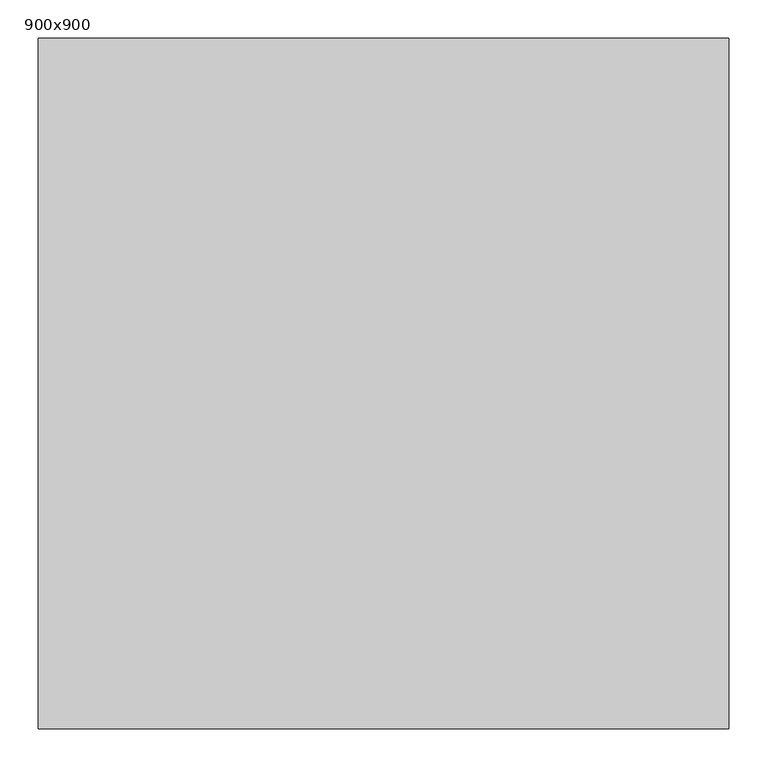
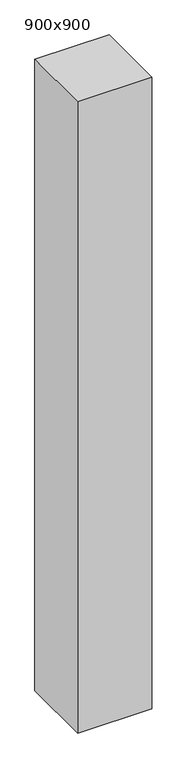
"""IFC4 building model written with IfcOpenShell, lengths in millimetres: column geometry, 900x900."""

import ifcopenshell
import ifcopenshell.guid

model = None  # the IFC model being written
_history = None  # IfcOwnerHistory: only IFC2X3 demands one
_inside = {}  # id of a spatial element -> (the spatial element, [elements in it])
_under = {}  # id of a project, library or spatial element -> (it, [spatial elements below it])
_declared = {}  # id of a project -> (the project, [libraries it declares])
_typed = {}  # id of a type object -> (the type object, [elements of that type])
_made_of = {}  # id of a material, layer set ... -> (it, [elements and type objects made of it])


def new_model(schema):
    """Start an empty IFC model of exactly this schema.

    Asked for "IFC4X3", IfcOpenShell would pick the latest addendum, in which some entities
    have other attributes; the version numbers below select the first issue.
    IFC2X3 requires an IfcOwnerHistory on every rooted entity: one is made here for all.
    """
    global model, _history
    if schema == "IFC4X3":
        model = ifcopenshell.file(schema_version=(4, 3, 0, 0))
    else:
        model = ifcopenshell.file(schema=schema)
    _inside.clear()
    _under.clear()
    _declared.clear()
    _typed.clear()
    _made_of.clear()
    _history = None
    if model.schema == "IFC2X3":
        org = make("IfcOrganization", Name="unknown")
        user = make(
            "IfcPersonAndOrganization",
            ThePerson=make("IfcPerson", FamilyName="unknown"),
            TheOrganization=org,
        )
        app = make(
            "IfcApplication",
            ApplicationDeveloper=org,
            Version="unknown",
            ApplicationFullName="unknown",
            ApplicationIdentifier="unknown",
        )
        _history = make(
            "IfcOwnerHistory",
            OwningUser=user,
            OwningApplication=app,
            ChangeAction="ADDED",
            CreationDate=0,
        )
    return model


def make(cls, **values):
    """One entity of the class cls with the attributes given. An attribute that is None is left unset."""
    return model.create_entity(
        cls, **{name: value for name, value in values.items() if value is not None}
    )


def rooted(cls, **values):
    """An entity with a GlobalId (a new one), such as an element, a storey or a relation."""
    return make(cls, GlobalId=ifcopenshell.guid.new(), OwnerHistory=_history, **values)


def si_unit(unit_type, name, prefix=None):
    """IfcSIUnit, for example si_unit("LENGTHUNIT", "METRE", prefix="MILLI")."""
    return make("IfcSIUnit", UnitType=unit_type, Prefix=prefix, Name=name)


def assignment(units):
    """IfcUnitAssignment: the units of a project."""
    return None if units is None else make("IfcUnitAssignment", Units=units)


def point(xyz):
    """IfcCartesianPoint."""
    return None if xyz is None else make("IfcCartesianPoint", Coordinates=xyz)


def direction(xyz):
    """IfcDirection."""
    return None if xyz is None else make("IfcDirection", DirectionRatios=xyz)


def frame(location, z_axis=None, x_axis=None):
    """IfcAxis2Placement3D, a coordinate frame: its origin and axes. An axis left out is left unset."""
    return make(
        "IfcAxis2Placement3D",
        Location=point(location),
        Axis=direction(z_axis),
        RefDirection=direction(x_axis),
    )


def origin():
    """The frame at (0, 0, 0) with its axes left unset."""
    return frame((0.0, 0.0, 0.0))


def place(relative_to, where):
    """IfcLocalPlacement: puts the frame where relative to a parent placement (None: the world)."""
    return make(
        "IfcLocalPlacement", PlacementRelTo=relative_to, RelativePlacement=where
    )


def context(
    kind, dimensions, precision=None, world=None, true_north=None, identifier=None
):
    """IfcGeometricRepresentationContext, for example the 3D "Model" context."""
    return make(
        "IfcGeometricRepresentationContext",
        ContextIdentifier=identifier,
        ContextType=kind,
        CoordinateSpaceDimension=dimensions,
        Precision=precision,
        WorldCoordinateSystem=world,
        TrueNorth=true_north,
    )


def project(units=None, contexts=None):
    """IfcProject with its units and contexts."""
    return rooted(
        "IfcProject",
        Name="project",
        RepresentationContexts=contexts,
        UnitsInContext=assignment(units),
    )


def spatial(cls, under=None, at=None, **own):
    """A site, building, storey or space (cls), placed at a placement, below another one or the project."""
    s = rooted(cls, ObjectPlacement=at, **own)
    if under is not None:
        _under.setdefault(under.id(), (under, []))[1].append(s)
    return s


def polyline(points):
    """IfcPolyline through the points."""
    return make("IfcPolyline", Points=[point(p) for p in points])


def outline(outer, holes=None, kind="AREA"):
    """IfcArbitraryClosedProfileDef: a profile drawn as a closed curve; with holes, ...WithVoids."""
    if holes is None:
        return make("IfcArbitraryClosedProfileDef", ProfileType=kind, OuterCurve=outer)
    return make(
        "IfcArbitraryProfileDefWithVoids",
        ProfileType=kind,
        OuterCurve=outer,
        InnerCurves=holes,
    )


def extrude(swept, where, along, depth):
    """IfcExtrudedAreaSolid: the profile swept, set in the frame where, extruded along a direction by depth."""
    return make(
        "IfcExtrudedAreaSolid",
        SweptArea=swept,
        Position=where,
        ExtrudedDirection=direction(along),
        Depth=depth,
    )


def shape(context_of_items, identifier, shape_type, items):
    """IfcShapeRepresentation: the items that make up one representation, for example the "Body"."""
    return make(
        "IfcShapeRepresentation",
        ContextOfItems=context_of_items,
        RepresentationIdentifier=identifier,
        RepresentationType=shape_type,
        Items=items,
    )


def source(mapping_origin, context_of_items, identifier, shape_type, items):
    """IfcRepresentationMap: a shape defined once, which mapped items show again and again."""
    return make(
        "IfcRepresentationMap",
        MappingOrigin=mapping_origin,
        MappedRepresentation=shape(context_of_items, identifier, shape_type, items),
    )


def transform(
    local_origin,
    x_axis=None,
    y_axis=None,
    z_axis=None,
    scale=None,
    scale2=None,
    scale3=None,
    uniform=True,
):
    """IfcCartesianTransformationOperator3D, or its non-uniform kind. x_axis, y_axis, z_axis: its Axis1, 2, 3."""
    if uniform:
        return make(
            "IfcCartesianTransformationOperator3D",
            Axis1=direction(x_axis),
            Axis2=direction(y_axis),
            LocalOrigin=point(local_origin),
            Scale=scale,
            Axis3=direction(z_axis),
        )
    return make(
        "IfcCartesianTransformationOperator3DnonUniform",
        Axis1=direction(x_axis),
        Axis2=direction(y_axis),
        LocalOrigin=point(local_origin),
        Scale=scale,
        Axis3=direction(z_axis),
        Scale2=scale2,
        Scale3=scale3,
    )


def mapped(mapping_source, mapping_target):
    """IfcMappedItem: shows the shape of a source again, moved by a transform."""
    return make(
        "IfcMappedItem", MappingSource=mapping_source, MappingTarget=mapping_target
    )


def made_of(thing, what):
    """Note that an element or type object is made of a material, layer set ...; save() writes the relation."""
    if what is not None:
        _made_of.setdefault(what.id(), (what, []))[1].append(thing)
    return thing


def element(
    cls,
    number,
    at=None,
    inside=None,
    cuts=None,
    type_object=None,
    material=None,
    context=None,
    identifier="Body",
    shape_type=None,
    held_by="IfcProductDefinitionShape",
    body=None,
    shapes=None,
    **own,
):
    """One element of the class cls, such as IfcWall. Its Tag is "e" and its number.

    at: its placement. inside: the storey or other place that contains it. cuts: it is an
    opening in that element (IfcRelVoidsElement). A single representation is given by context,
    identifier, shape_type and body (its items); several are given by shapes. held_by: the class
    of the entity that holds the representations. save() writes the other relations.
    """
    e = rooted(cls, Tag="e%d" % number, ObjectPlacement=at, **own)
    if body is not None:
        shapes = [shape(context, identifier, shape_type, body)]
    if shapes is not None:
        e.Representation = make(held_by, Representations=shapes)
    if inside is not None:
        _inside.setdefault(inside.id(), (inside, []))[1].append(e)
    if cuts is not None:
        rooted(
            "IfcRelVoidsElement", RelatingBuildingElement=cuts, RelatedOpeningElement=e
        )
    if type_object is not None:
        _typed.setdefault(type_object.id(), (type_object, []))[1].append(e)
    return made_of(e, material)


def aggregate(whole, parts):
    """IfcRelAggregates: a whole, such as a stair, and the parts it consists of."""
    return rooted("IfcRelAggregates", RelatingObject=whole, RelatedObjects=parts)


def save(model, path):
    """Write the relations noted so far, then the file.

    IfcRelAggregates (storeys below a building ...), IfcRelContainedInSpatialStructure (elements
    in a storey), IfcRelDefinesByType, IfcRelAssociatesMaterial and IfcRelDeclares: one each for
    every whole, place, type object, material and project.
    """
    for whole, parts in _under.values():
        aggregate(whole, parts)
    for where, things in _inside.values():
        rooted(
            "IfcRelContainedInSpatialStructure",
            RelatedElements=things,
            RelatingStructure=where,
        )
    for kind, things in _typed.values():
        rooted("IfcRelDefinesByType", RelatedObjects=things, RelatingType=kind)
    for what, things in _made_of.values():
        rooted("IfcRelAssociatesMaterial", RelatedObjects=things, RelatingMaterial=what)
    for by, libraries in _declared.values():
        rooted("IfcRelDeclares", RelatingContext=by, RelatedDefinitions=libraries)
    model.write(path)


def column_900x900_83575d16(model_context):
    return source(origin(), model_context, "Body", "SweptSolid", [
        extrude(outline(polyline([(450.0, -450.0), (-450.0, -450.0), (-450.0, 450.0), (450.0, 450.0), (450.0, -450.0)])), frame((0.0, 0.0, -3500.0), z_axis=(0.0, 0.0, 1.0), x_axis=(1.0, 0.0, 0.0)), (0.0, 0.0, 1.0), 8100.0),
    ])


if __name__ == "__main__":
    model = new_model("IFC4")
    model_context = context("Model", 3, world=origin())
    ifc_project = project(units=[si_unit("LENGTHUNIT", "METRE", prefix="MILLI")], contexts=[model_context])
    site = spatial("IfcSite", under=ifc_project)
    building = spatial("IfcBuilding", under=site)
    placement = place(None, origin())
    column_900x900_shape = column_900x900_83575d16(model_context)
    element("IfcColumn", 1, ObjectType="900x900", at=placement, inside=building, context=model_context, shape_type="MappedRepresentation", body=[
        mapped(column_900x900_shape, transform((0.0, 0.0, 0.0), x_axis=(1.0, 0.0, 0.0), y_axis=(0.0, 1.0, 0.0), z_axis=(0.0, 0.0, 1.0))),
    ])
    save(model, "model.ifc")
